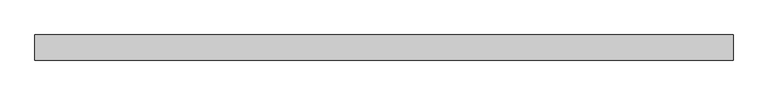
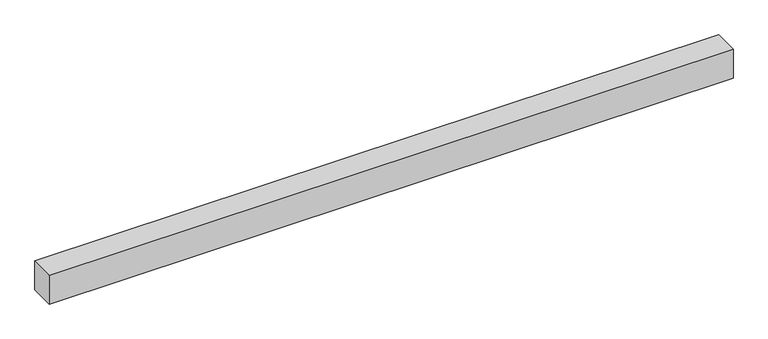
"""IFC4 building model written with IfcOpenShell, lengths in millimetres: proxy geometry."""

from ifc_helpers import new_model, si_unit, origin, origin_with_axes, place, context, project, spatial, polyline, outline, extrude, source, transform, mapped, element, save


def generic_models_0dcde7ff(model_context):
    return source(origin(), model_context, "Body", "SweptSolid", [
        extrude(outline(polyline([(2225.9109088, -40.0), (0.0, -40.0), (0.0, 40.0), (2225.9109088, 40.0), (2225.9109088, -40.0)])), origin_with_axes(), (0.0, 0.0, 1.0), 100.0),
    ])


if __name__ == "__main__":
    model = new_model("IFC4")
    model_context = context("Model", 3, world=origin())
    ifc_project = project(units=[si_unit("LENGTHUNIT", "METRE", prefix="MILLI")], contexts=[model_context])
    site = spatial("IfcSite", under=ifc_project)
    building = spatial("IfcBuilding", under=site)
    placement = place(None, origin())
    generic_models_shape = generic_models_0dcde7ff(model_context)
    element("IfcBuildingElementProxy", 1, Name="Generic Models", at=placement, inside=building, context=model_context, shape_type="MappedRepresentation", body=[
        mapped(generic_models_shape, transform((0.0, 0.0, 0.0), x_axis=(1.0, 0.0, 0.0), y_axis=(0.0, 1.0, 0.0), z_axis=(0.0, 0.0, 1.0))),
    ])
    save(model, "model.ifc")
